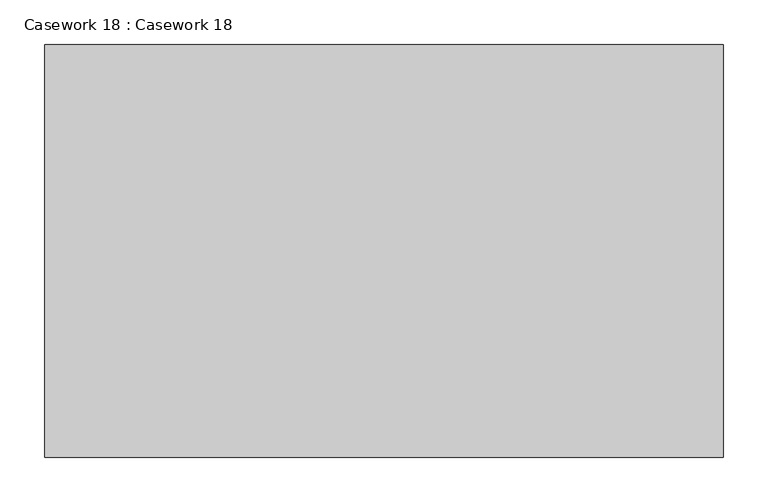
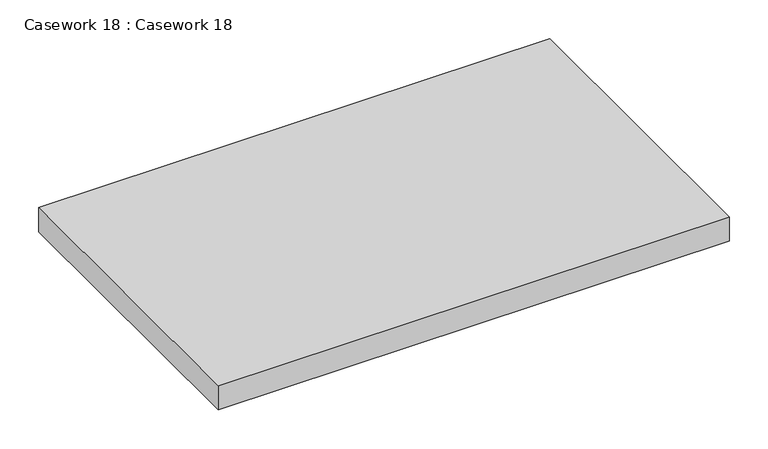
"""IFC4 building model written with IfcOpenShell, lengths in millimetres: furniture geometry, Casework 18 : Casework 18."""

from ifc_helpers import new_model, si_unit, frame, origin, place, context, project, spatial, polyline, outline, extrude, source, transform, mapped, element, save


def casework_18_casework_18_78befda7(model_context):
    return source(origin(), model_context, "Body", "SweptSolid", [
        extrude(outline(polyline([(-137677.2544078, 15915.7861016), (-137677.2544078, 15452.2361016), (-138439.2544078, 15452.2361016), (-138439.2544078, 15915.7861016), (-137677.2544078, 15915.7861016)])), frame((0.0, 0.0, 762.0), z_axis=(0.0, 0.0, 1.0), x_axis=(1.0, 0.0, 0.0)), (0.0, 0.0, 1.0), 38.1),
    ])


if __name__ == "__main__":
    model = new_model("IFC4")
    model_context = context("Model", 3, world=origin())
    ifc_project = project(units=[si_unit("LENGTHUNIT", "METRE", prefix="MILLI")], contexts=[model_context])
    site = spatial("IfcSite", under=ifc_project)
    building = spatial("IfcBuilding", under=site)
    placement = place(None, origin())
    casework_18_casework_18_shape = casework_18_casework_18_78befda7(model_context)
    element("IfcFurniture", 1, ObjectType="Casework 18 : Casework 18", at=placement, inside=building, context=model_context, shape_type="MappedRepresentation", body=[
        mapped(casework_18_casework_18_shape, transform((0.0, 0.0, 0.0), x_axis=(1.0, 0.0, 0.0), y_axis=(0.0, 1.0, 0.0), z_axis=(0.0, 0.0, 1.0))),
    ])
    save(model, "model.ifc")
